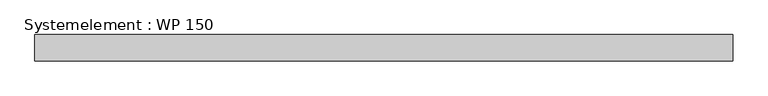
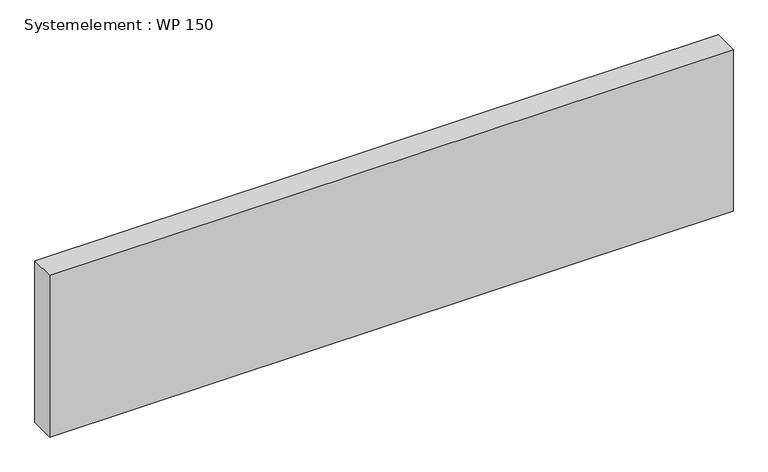
"""IFC4 building model written with IfcOpenShell, lengths in millimetres: plate geometry, Systemelement : WP 150."""

import ifcopenshell
import ifcopenshell.guid

model = None  # the IFC model being written
_history = None  # IfcOwnerHistory: only IFC2X3 demands one
_inside = {}  # id of a spatial element -> (the spatial element, [elements in it])
_under = {}  # id of a project, library or spatial element -> (it, [spatial elements below it])
_declared = {}  # id of a project -> (the project, [libraries it declares])
_typed = {}  # id of a type object -> (the type object, [elements of that type])
_made_of = {}  # id of a material, layer set ... -> (it, [elements and type objects made of it])


def new_model(schema):
    """Start an empty IFC model of exactly this schema.

    Asked for "IFC4X3", IfcOpenShell would pick the latest addendum, in which some entities
    have other attributes; the version numbers below select the first issue.
    IFC2X3 requires an IfcOwnerHistory on every rooted entity: one is made here for all.
    """
    global model, _history
    if schema == "IFC4X3":
        model = ifcopenshell.file(schema_version=(4, 3, 0, 0))
    else:
        model = ifcopenshell.file(schema=schema)
    _inside.clear()
    _under.clear()
    _declared.clear()
    _typed.clear()
    _made_of.clear()
    _history = None
    if model.schema == "IFC2X3":
        org = make("IfcOrganization", Name="unknown")
        user = make(
            "IfcPersonAndOrganization",
            ThePerson=make("IfcPerson", FamilyName="unknown"),
            TheOrganization=org,
        )
        app = make(
            "IfcApplication",
            ApplicationDeveloper=org,
            Version="unknown",
            ApplicationFullName="unknown",
            ApplicationIdentifier="unknown",
        )
        _history = make(
            "IfcOwnerHistory",
            OwningUser=user,
            OwningApplication=app,
            ChangeAction="ADDED",
            CreationDate=0,
        )
    return model


def make(cls, **values):
    """One entity of the class cls with the attributes given. An attribute that is None is left unset."""
    return model.create_entity(
        cls, **{name: value for name, value in values.items() if value is not None}
    )


def rooted(cls, **values):
    """An entity with a GlobalId (a new one), such as an element, a storey or a relation."""
    return make(cls, GlobalId=ifcopenshell.guid.new(), OwnerHistory=_history, **values)


def si_unit(unit_type, name, prefix=None):
    """IfcSIUnit, for example si_unit("LENGTHUNIT", "METRE", prefix="MILLI")."""
    return make("IfcSIUnit", UnitType=unit_type, Prefix=prefix, Name=name)


def assignment(units):
    """IfcUnitAssignment: the units of a project."""
    return None if units is None else make("IfcUnitAssignment", Units=units)


def point(xyz):
    """IfcCartesianPoint."""
    return None if xyz is None else make("IfcCartesianPoint", Coordinates=xyz)


def direction(xyz):
    """IfcDirection."""
    return None if xyz is None else make("IfcDirection", DirectionRatios=xyz)


def frame(location, z_axis=None, x_axis=None):
    """IfcAxis2Placement3D, a coordinate frame: its origin and axes. An axis left out is left unset."""
    return make(
        "IfcAxis2Placement3D",
        Location=point(location),
        Axis=direction(z_axis),
        RefDirection=direction(x_axis),
    )


def origin():
    """The frame at (0, 0, 0) with its axes left unset."""
    return frame((0.0, 0.0, 0.0))


def origin_with_axes():
    """The frame at (0, 0, 0) with the z axis (0, 0, 1) and the x axis (1, 0, 0) written out."""
    return frame((0.0, 0.0, 0.0), z_axis=(0.0, 0.0, 1.0), x_axis=(1.0, 0.0, 0.0))


def place(relative_to, where):
    """IfcLocalPlacement: puts the frame where relative to a parent placement (None: the world)."""
    return make(
        "IfcLocalPlacement", PlacementRelTo=relative_to, RelativePlacement=where
    )


def context(
    kind, dimensions, precision=None, world=None, true_north=None, identifier=None
):
    """IfcGeometricRepresentationContext, for example the 3D "Model" context."""
    return make(
        "IfcGeometricRepresentationContext",
        ContextIdentifier=identifier,
        ContextType=kind,
        CoordinateSpaceDimension=dimensions,
        Precision=precision,
        WorldCoordinateSystem=world,
        TrueNorth=true_north,
    )


def project(units=None, contexts=None):
    """IfcProject with its units and contexts."""
    return rooted(
        "IfcProject",
        Name="project",
        RepresentationContexts=contexts,
        UnitsInContext=assignment(units),
    )


def spatial(cls, under=None, at=None, **own):
    """A site, building, storey or space (cls), placed at a placement, below another one or the project."""
    s = rooted(cls, ObjectPlacement=at, **own)
    if under is not None:
        _under.setdefault(under.id(), (under, []))[1].append(s)
    return s


def polyline(points):
    """IfcPolyline through the points."""
    return make("IfcPolyline", Points=[point(p) for p in points])


def outline(outer, holes=None, kind="AREA"):
    """IfcArbitraryClosedProfileDef: a profile drawn as a closed curve; with holes, ...WithVoids."""
    if holes is None:
        return make("IfcArbitraryClosedProfileDef", ProfileType=kind, OuterCurve=outer)
    return make(
        "IfcArbitraryProfileDefWithVoids",
        ProfileType=kind,
        OuterCurve=outer,
        InnerCurves=holes,
    )


def extrude(swept, where, along, depth):
    """IfcExtrudedAreaSolid: the profile swept, set in the frame where, extruded along a direction by depth."""
    return make(
        "IfcExtrudedAreaSolid",
        SweptArea=swept,
        Position=where,
        ExtrudedDirection=direction(along),
        Depth=depth,
    )


def shape(context_of_items, identifier, shape_type, items):
    """IfcShapeRepresentation: the items that make up one representation, for example the "Body"."""
    return make(
        "IfcShapeRepresentation",
        ContextOfItems=context_of_items,
        RepresentationIdentifier=identifier,
        RepresentationType=shape_type,
        Items=items,
    )


def source(mapping_origin, context_of_items, identifier, shape_type, items):
    """IfcRepresentationMap: a shape defined once, which mapped items show again and again."""
    return make(
        "IfcRepresentationMap",
        MappingOrigin=mapping_origin,
        MappedRepresentation=shape(context_of_items, identifier, shape_type, items),
    )


def transform(
    local_origin,
    x_axis=None,
    y_axis=None,
    z_axis=None,
    scale=None,
    scale2=None,
    scale3=None,
    uniform=True,
):
    """IfcCartesianTransformationOperator3D, or its non-uniform kind. x_axis, y_axis, z_axis: its Axis1, 2, 3."""
    if uniform:
        return make(
            "IfcCartesianTransformationOperator3D",
            Axis1=direction(x_axis),
            Axis2=direction(y_axis),
            LocalOrigin=point(local_origin),
            Scale=scale,
            Axis3=direction(z_axis),
        )
    return make(
        "IfcCartesianTransformationOperator3DnonUniform",
        Axis1=direction(x_axis),
        Axis2=direction(y_axis),
        LocalOrigin=point(local_origin),
        Scale=scale,
        Axis3=direction(z_axis),
        Scale2=scale2,
        Scale3=scale3,
    )


def mapped(mapping_source, mapping_target):
    """IfcMappedItem: shows the shape of a source again, moved by a transform."""
    return make(
        "IfcMappedItem", MappingSource=mapping_source, MappingTarget=mapping_target
    )


def made_of(thing, what):
    """Note that an element or type object is made of a material, layer set ...; save() writes the relation."""
    if what is not None:
        _made_of.setdefault(what.id(), (what, []))[1].append(thing)
    return thing


def element(
    cls,
    number,
    at=None,
    inside=None,
    cuts=None,
    type_object=None,
    material=None,
    context=None,
    identifier="Body",
    shape_type=None,
    held_by="IfcProductDefinitionShape",
    body=None,
    shapes=None,
    **own,
):
    """One element of the class cls, such as IfcWall. Its Tag is "e" and its number.

    at: its placement. inside: the storey or other place that contains it. cuts: it is an
    opening in that element (IfcRelVoidsElement). A single representation is given by context,
    identifier, shape_type and body (its items); several are given by shapes. held_by: the class
    of the entity that holds the representations. save() writes the other relations.
    """
    e = rooted(cls, Tag="e%d" % number, ObjectPlacement=at, **own)
    if body is not None:
        shapes = [shape(context, identifier, shape_type, body)]
    if shapes is not None:
        e.Representation = make(held_by, Representations=shapes)
    if inside is not None:
        _inside.setdefault(inside.id(), (inside, []))[1].append(e)
    if cuts is not None:
        rooted(
            "IfcRelVoidsElement", RelatingBuildingElement=cuts, RelatedOpeningElement=e
        )
    if type_object is not None:
        _typed.setdefault(type_object.id(), (type_object, []))[1].append(e)
    return made_of(e, material)


def aggregate(whole, parts):
    """IfcRelAggregates: a whole, such as a stair, and the parts it consists of."""
    return rooted("IfcRelAggregates", RelatingObject=whole, RelatedObjects=parts)


def save(model, path):
    """Write the relations noted so far, then the file.

    IfcRelAggregates (storeys below a building ...), IfcRelContainedInSpatialStructure (elements
    in a storey), IfcRelDefinesByType, IfcRelAssociatesMaterial and IfcRelDeclares: one each for
    every whole, place, type object, material and project.
    """
    for whole, parts in _under.values():
        aggregate(whole, parts)
    for where, things in _inside.values():
        rooted(
            "IfcRelContainedInSpatialStructure",
            RelatedElements=things,
            RelatingStructure=where,
        )
    for kind, things in _typed.values():
        rooted("IfcRelDefinesByType", RelatedObjects=things, RelatingType=kind)
    for what, things in _made_of.values():
        rooted("IfcRelAssociatesMaterial", RelatedObjects=things, RelatingMaterial=what)
    for by, libraries in _declared.values():
        rooted("IfcRelDeclares", RelatingContext=by, RelatedDefinitions=libraries)
    model.write(path)


def systemelement_wp_150_a7ae1191(model_context):
    return source(origin(), model_context, "Body", "SweptSolid", [
        extrude(outline(polyline([(2000.0, -150.0), (-2000.0, -150.0), (-2000.0, 0.0), (2000.0, 0.0), (2000.0, -150.0)])), origin_with_axes(), (0.0, 0.0, 1.0), 1000.0),
    ])


if __name__ == "__main__":
    model = new_model("IFC4")
    model_context = context("Model", 3, world=origin())
    ifc_project = project(units=[si_unit("LENGTHUNIT", "METRE", prefix="MILLI")], contexts=[model_context])
    site = spatial("IfcSite", under=ifc_project)
    building = spatial("IfcBuilding", under=site)
    placement = place(None, origin())
    systemelement_wp_150_shape = systemelement_wp_150_a7ae1191(model_context)
    element("IfcPlate", 1, ObjectType="Systemelement : WP 150", at=placement, inside=building, context=model_context, shape_type="MappedRepresentation", body=[
        mapped(systemelement_wp_150_shape, transform((0.0, 0.0, 0.0), x_axis=(1.0, 0.0, 0.0), y_axis=(0.0, 1.0, 0.0), z_axis=(0.0, 0.0, 1.0))),
    ])
    save(model, "model.ifc")
